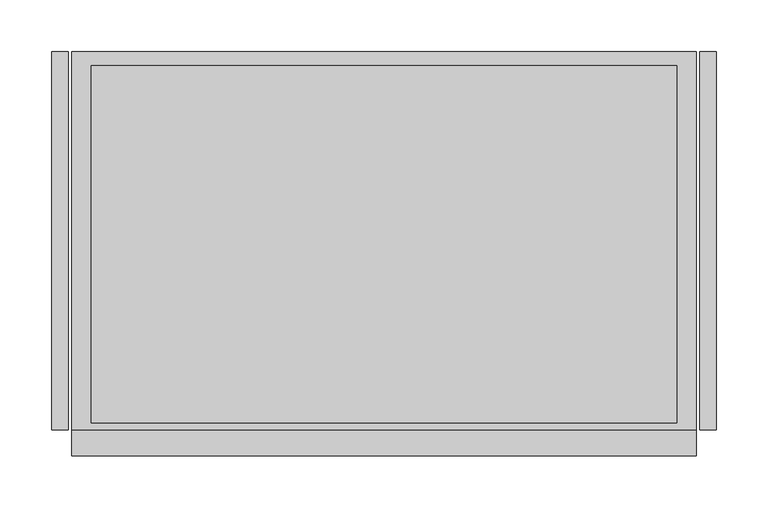
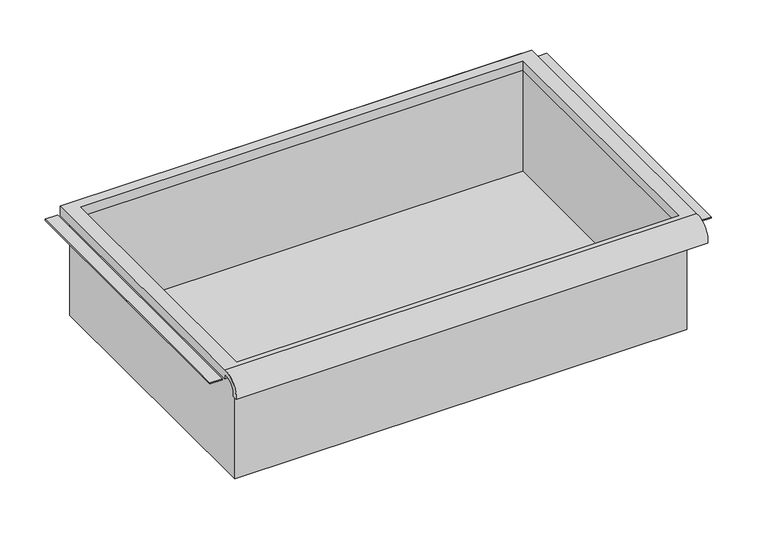
"""IFC4 building model written with IfcOpenShell, lengths in millimetres: furniture geometry."""

import ifcopenshell
import ifcopenshell.guid

model = None  # the IFC model being written
_history = None  # IfcOwnerHistory: only IFC2X3 demands one
_inside = {}  # id of a spatial element -> (the spatial element, [elements in it])
_under = {}  # id of a project, library or spatial element -> (it, [spatial elements below it])
_declared = {}  # id of a project -> (the project, [libraries it declares])
_typed = {}  # id of a type object -> (the type object, [elements of that type])
_made_of = {}  # id of a material, layer set ... -> (it, [elements and type objects made of it])


def new_model(schema):
    """Start an empty IFC model of exactly this schema.

    Asked for "IFC4X3", IfcOpenShell would pick the latest addendum, in which some entities
    have other attributes; the version numbers below select the first issue.
    IFC2X3 requires an IfcOwnerHistory on every rooted entity: one is made here for all.
    """
    global model, _history
    if schema == "IFC4X3":
        model = ifcopenshell.file(schema_version=(4, 3, 0, 0))
    else:
        model = ifcopenshell.file(schema=schema)
    _inside.clear()
    _under.clear()
    _declared.clear()
    _typed.clear()
    _made_of.clear()
    _history = None
    if model.schema == "IFC2X3":
        org = make("IfcOrganization", Name="unknown")
        user = make(
            "IfcPersonAndOrganization",
            ThePerson=make("IfcPerson", FamilyName="unknown"),
            TheOrganization=org,
        )
        app = make(
            "IfcApplication",
            ApplicationDeveloper=org,
            Version="unknown",
            ApplicationFullName="unknown",
            ApplicationIdentifier="unknown",
        )
        _history = make(
            "IfcOwnerHistory",
            OwningUser=user,
            OwningApplication=app,
            ChangeAction="ADDED",
            CreationDate=0,
        )
    return model


def make(cls, **values):
    """One entity of the class cls with the attributes given. An attribute that is None is left unset."""
    return model.create_entity(
        cls, **{name: value for name, value in values.items() if value is not None}
    )


def rooted(cls, **values):
    """An entity with a GlobalId (a new one), such as an element, a storey or a relation."""
    return make(cls, GlobalId=ifcopenshell.guid.new(), OwnerHistory=_history, **values)


def si_unit(unit_type, name, prefix=None):
    """IfcSIUnit, for example si_unit("LENGTHUNIT", "METRE", prefix="MILLI")."""
    return make("IfcSIUnit", UnitType=unit_type, Prefix=prefix, Name=name)


def assignment(units):
    """IfcUnitAssignment: the units of a project."""
    return None if units is None else make("IfcUnitAssignment", Units=units)


def point(xyz):
    """IfcCartesianPoint."""
    return None if xyz is None else make("IfcCartesianPoint", Coordinates=xyz)


def direction(xyz):
    """IfcDirection."""
    return None if xyz is None else make("IfcDirection", DirectionRatios=xyz)


def frame(location, z_axis=None, x_axis=None):
    """IfcAxis2Placement3D, a coordinate frame: its origin and axes. An axis left out is left unset."""
    return make(
        "IfcAxis2Placement3D",
        Location=point(location),
        Axis=direction(z_axis),
        RefDirection=direction(x_axis),
    )


def origin():
    """The frame at (0, 0, 0) with its axes left unset."""
    return frame((0.0, 0.0, 0.0))


def place(relative_to, where):
    """IfcLocalPlacement: puts the frame where relative to a parent placement (None: the world)."""
    return make(
        "IfcLocalPlacement", PlacementRelTo=relative_to, RelativePlacement=where
    )


def context(
    kind, dimensions, precision=None, world=None, true_north=None, identifier=None
):
    """IfcGeometricRepresentationContext, for example the 3D "Model" context."""
    return make(
        "IfcGeometricRepresentationContext",
        ContextIdentifier=identifier,
        ContextType=kind,
        CoordinateSpaceDimension=dimensions,
        Precision=precision,
        WorldCoordinateSystem=world,
        TrueNorth=true_north,
    )


def project(units=None, contexts=None):
    """IfcProject with its units and contexts."""
    return rooted(
        "IfcProject",
        Name="project",
        RepresentationContexts=contexts,
        UnitsInContext=assignment(units),
    )


def spatial(cls, under=None, at=None, **own):
    """A site, building, storey or space (cls), placed at a placement, below another one or the project."""
    s = rooted(cls, ObjectPlacement=at, **own)
    if under is not None:
        _under.setdefault(under.id(), (under, []))[1].append(s)
    return s


def polyline(points):
    """IfcPolyline through the points."""
    return make("IfcPolyline", Points=[point(p) for p in points])


def circle_curve(where, radius):
    """IfcCircle in the frame where."""
    return make("IfcCircle", Position=where, Radius=radius)


def faces_of(points, faces, orient=None, outer=None):
    """IfcFace entities. A face is a list of loops; a loop is a list of indices into points, from 0.

    orient and outer hold one flag for each loop. By default every Orientation is true, the
    first loop of a face is its IfcFaceOuterBound and the others are IfcFaceBound.
    """
    made = []
    for i, loops in enumerate(faces):
        bounds = []
        for j, loop in enumerate(loops):
            is_outer = j == 0 if outer is None else outer[i][j]
            bounds.append(
                make(
                    "IfcFaceOuterBound" if is_outer else "IfcFaceBound",
                    Bound=make("IfcPolyLoop", Polygon=[points[k] for k in loop]),
                    Orientation=True if orient is None else orient[i][j],
                )
            )
        made.append(make("IfcFace", Bounds=bounds))
    return made


def faceted_brep(points, faces, orient=None, outer=None, voids=None):
    """IfcFacetedBrep: a solid bounded by flat faces; with voids (closed shells), ...WithVoids."""
    shared = [point(p) for p in points]
    hull = make("IfcClosedShell", CfsFaces=faces_of(shared, faces, orient, outer))
    if voids is None:
        return make("IfcFacetedBrep", Outer=hull)
    return make(
        "IfcFacetedBrepWithVoids",
        Outer=hull,
        Voids=[
            make(cls, CfsFaces=faces_of(shared, fs, o, b)) for cls, fs, o, b in voids
        ],
    )


def shape(context_of_items, identifier, shape_type, items):
    """IfcShapeRepresentation: the items that make up one representation, for example the "Body"."""
    return make(
        "IfcShapeRepresentation",
        ContextOfItems=context_of_items,
        RepresentationIdentifier=identifier,
        RepresentationType=shape_type,
        Items=items,
    )


def source(mapping_origin, context_of_items, identifier, shape_type, items):
    """IfcRepresentationMap: a shape defined once, which mapped items show again and again."""
    return make(
        "IfcRepresentationMap",
        MappingOrigin=mapping_origin,
        MappedRepresentation=shape(context_of_items, identifier, shape_type, items),
    )


def transform(
    local_origin,
    x_axis=None,
    y_axis=None,
    z_axis=None,
    scale=None,
    scale2=None,
    scale3=None,
    uniform=True,
):
    """IfcCartesianTransformationOperator3D, or its non-uniform kind. x_axis, y_axis, z_axis: its Axis1, 2, 3."""
    if uniform:
        return make(
            "IfcCartesianTransformationOperator3D",
            Axis1=direction(x_axis),
            Axis2=direction(y_axis),
            LocalOrigin=point(local_origin),
            Scale=scale,
            Axis3=direction(z_axis),
        )
    return make(
        "IfcCartesianTransformationOperator3DnonUniform",
        Axis1=direction(x_axis),
        Axis2=direction(y_axis),
        LocalOrigin=point(local_origin),
        Scale=scale,
        Axis3=direction(z_axis),
        Scale2=scale2,
        Scale3=scale3,
    )


def mapped(mapping_source, mapping_target):
    """IfcMappedItem: shows the shape of a source again, moved by a transform."""
    return make(
        "IfcMappedItem", MappingSource=mapping_source, MappingTarget=mapping_target
    )


def made_of(thing, what):
    """Note that an element or type object is made of a material, layer set ...; save() writes the relation."""
    if what is not None:
        _made_of.setdefault(what.id(), (what, []))[1].append(thing)
    return thing


def element(
    cls,
    number,
    at=None,
    inside=None,
    cuts=None,
    type_object=None,
    material=None,
    context=None,
    identifier="Body",
    shape_type=None,
    held_by="IfcProductDefinitionShape",
    body=None,
    shapes=None,
    **own,
):
    """One element of the class cls, such as IfcWall. Its Tag is "e" and its number.

    at: its placement. inside: the storey or other place that contains it. cuts: it is an
    opening in that element (IfcRelVoidsElement). A single representation is given by context,
    identifier, shape_type and body (its items); several are given by shapes. held_by: the class
    of the entity that holds the representations. save() writes the other relations.
    """
    e = rooted(cls, Tag="e%d" % number, ObjectPlacement=at, **own)
    if body is not None:
        shapes = [shape(context, identifier, shape_type, body)]
    if shapes is not None:
        e.Representation = make(held_by, Representations=shapes)
    if inside is not None:
        _inside.setdefault(inside.id(), (inside, []))[1].append(e)
    if cuts is not None:
        rooted(
            "IfcRelVoidsElement", RelatingBuildingElement=cuts, RelatedOpeningElement=e
        )
    if type_object is not None:
        _typed.setdefault(type_object.id(), (type_object, []))[1].append(e)
    return made_of(e, material)


def aggregate(whole, parts):
    """IfcRelAggregates: a whole, such as a stair, and the parts it consists of."""
    return rooted("IfcRelAggregates", RelatingObject=whole, RelatedObjects=parts)


def save(model, path):
    """Write the relations noted so far, then the file.

    IfcRelAggregates (storeys below a building ...), IfcRelContainedInSpatialStructure (elements
    in a storey), IfcRelDefinesByType, IfcRelAssociatesMaterial and IfcRelDeclares: one each for
    every whole, place, type object, material and project.
    """
    for whole, parts in _under.values():
        aggregate(whole, parts)
    for where, things in _inside.values():
        rooted(
            "IfcRelContainedInSpatialStructure",
            RelatedElements=things,
            RelatingStructure=where,
        )
    for kind, things in _typed.values():
        rooted("IfcRelDefinesByType", RelatedObjects=things, RelatingType=kind)
    for what, things in _made_of.values():
        rooted("IfcRelAssociatesMaterial", RelatedObjects=things, RelatingMaterial=what)
    for by, libraries in _declared.values():
        rooted("IfcRelDeclares", RelatingContext=by, RelatedDefinitions=libraries)
    model.write(path)


def plane_surface(at):
    """IfcPlane: the flat surface through the origin of the frame at, square to its z axis."""
    return make("IfcPlane", Position=at)


def cylinder_surface(at, radius):
    """IfcCylindricalSurface: all points at the distance radius from the z axis of the frame at."""
    return make("IfcCylindricalSurface", Position=at, Radius=radius)


def revolved_surface(curve, axis_point, axis_direction):
    """IfcSurfaceOfRevolution: the curve turned about the line through axis_point along axis_direction."""
    return make(
        "IfcSurfaceOfRevolution",
        SweptCurve=make("IfcArbitraryOpenProfileDef", ProfileType="CURVE", Curve=curve),
        AxisPosition=make("IfcAxis1Placement", Location=point(axis_point), Axis=direction(axis_direction)),
    )


def advanced_brep(points, edges, surfaces, faces):
    """IfcAdvancedBrep: a solid bounded by faces that lie on surfaces and meet in shared edges.

    An edge is (start, end): straight between two places in points (the first is 0);
    or (start, end, curve); or (start, end, curve, False) where it runs against its curve.
    A face is (place in surfaces, loops), or (place, loops, False) where it looks against
    its surface's normal. A loop lists edges by number (the first is 1), with a minus sign
    where the edge is run from its end to its start. The first loop is the outer one.
    """
    corners = [point(p) for p in points]
    vertices = [make("IfcVertexPoint", VertexGeometry=c) for c in corners]
    made = []
    for start, end, *more in edges:
        made.append(
            make(
                "IfcEdgeCurve",
                EdgeStart=vertices[start],
                EdgeEnd=vertices[end],
                EdgeGeometry=more[0] if more else make("IfcPolyline", Points=[corners[start], corners[end]]),
                SameSense=more[1] if len(more) > 1 else True,
            )
        )
    hull = []
    for where, loops, *sense in faces:
        bounds = []
        for j, loop in enumerate(loops):
            ring = [make("IfcOrientedEdge", EdgeElement=made[abs(k) - 1], Orientation=k > 0) for k in loop]
            bounds.append(
                make(
                    "IfcFaceOuterBound" if j == 0 else "IfcFaceBound",
                    Bound=make("IfcEdgeLoop", EdgeList=ring),
                    Orientation=True,
                )
            )
        hull.append(make("IfcAdvancedFace", Bounds=bounds, FaceSurface=surfaces[where], SameSense=sense[0] if sense else True))
    return make("IfcAdvancedBrep", Outer=make("IfcClosedShell", CfsFaces=hull))


def furniture_d4b08b27(model_context):
    return source(origin(), model_context, "Body", "SolidModel", [
        advanced_brep(
        [(305.0224999, -195.297482, 354.8035683), (305.0224999, -188.9125, 354.8035683), (305.0224999, -169.8625, 373.0650415), (305.0224999, -169.8625, 366.71504), (305.0224999, 195.2625, 366.71504), (305.0224999, 195.2625, 379.4150415), (305.0224999, -169.8625, 379.4150415), (-298.2275001, -195.297482, 354.8035683), (-298.2275001, -169.8625, 379.4150415), (-298.2275001, 195.2625, 379.4150415), (-298.2275001, 195.2625, 366.71504), (-298.2275001, -169.8625, 366.71504), (-298.2275001, -169.8625, 373.0650415), (-298.2275001, -188.9125, 354.8035683), (285.9725003, 181.9275, 366.71504), (-279.1775005, 181.9275, 366.71504), (-279.1775005, -163.5125, 366.71504), (285.9725003, -163.5125, 366.71504), (-279.1775005, 181.9275, 379.4150415), (285.9725003, 181.9275, 379.4150415), (285.9725003, -163.5125, 379.4150415), (-279.1775005, -163.5125, 379.4150415)],
        [
            (0, 1),
            (1, 2, circle_curve(frame((305.0224999, -172.3404634, 356.5829787), z_axis=(-1.0, 0.0, 0.0), x_axis=(0.0, 1.0, 0.0)), 16.6672942)),
            (2, 3),
            (3, 4),
            (4, 5),
            (5, 6),
            (6, 0, circle_curve(frame((305.0224999, -172.4601678, 356.6508687), z_axis=(1.0, 0.0, 0.0), x_axis=(0.0, 1.0, 0.0)), 22.9119061)),
            (7, 8, circle_curve(frame((-298.2275001, -172.4601678, 356.6508687), z_axis=(-1.0, 0.0, 0.0), x_axis=(0.0, 1.0, 0.0)), 22.9119061)),
            (8, 9),
            (9, 10),
            (10, 11),
            (11, 12),
            (12, 13, circle_curve(frame((-298.2275001, -172.3404634, 356.5829787), z_axis=(1.0, 0.0, 0.0), x_axis=(0.0, 1.0, 0.0)), 16.6672942)),
            (13, 7),
            (0, 7),
            (13, 1),
            (12, 2),
            (11, 3),
            (10, 4),
            (14, 15),
            (15, 16),
            (16, 17),
            (17, 14),
            (9, 5),
            (8, 6),
            (18, 19),
            (19, 20),
            (20, 21),
            (21, 18),
            (14, 19),
            (18, 15),
            (21, 16),
            (20, 17),
        ],
        [
            plane_surface(frame((305.0224999, -195.297482, 354.8035683), z_axis=(1.0, 0.0, 0.0), x_axis=(0.0, 1.0, 0.0))),
            plane_surface(frame((-298.2275001, -195.297482, 354.8035683), z_axis=(-1.0, 0.0, 0.0), x_axis=(0.0, -1.0, 0.0))),
            plane_surface(frame((305.0224999, -195.297482, 354.8035683), z_axis=(0.0, 0.0, -1.0), x_axis=(-1.0, 0.0, 0.0))),
            revolved_surface(polyline([(-298.2275001, -155.67316920000002, 356.5829787), (305.0224999, -155.67316920000002, 356.5829787)]), (-298.2275001, -172.3404634, 356.5829787), (-1.0, 0.0, 0.0)),
            plane_surface(frame((305.0224999, -169.8625, 373.0650415), z_axis=(0.0, -1.0, 0.0), x_axis=(-1.0, 0.0, 0.0))),
            plane_surface(frame((305.0224999, -169.8625, 366.71504), z_axis=(0.0, 0.0, -1.0), x_axis=(-1.0, 0.0, 0.0))),
            plane_surface(frame((305.0224999, 195.2625, 366.71504), z_axis=(0.0, 1.0, 0.0), x_axis=(-1.0, 0.0, 0.0))),
            plane_surface(frame((305.0224999, 195.2625, 379.4150415), z_axis=(0.0, 0.0, 1.0), x_axis=(-1.0, 0.0, 0.0))),
            cylinder_surface(frame((-298.2275001, -172.4601678, 356.6508687), z_axis=(1.0, 0.0, 0.0), x_axis=(0.0, 1.0, 0.0)), 22.9119061),
            plane_surface(frame((285.9725003, 181.9275, 379.4150415), z_axis=(0.0, -1.0, 0.0), x_axis=(0.0, 0.0, -1.0))),
            plane_surface(frame((-279.1775005, 181.9275, 379.4150415), z_axis=(1.0, 0.0, 0.0), x_axis=(0.0, 0.0, -1.0))),
            plane_surface(frame((-279.1775005, -163.5125, 379.4150415), z_axis=(0.0, 1.0, 0.0), x_axis=(0.0, 0.0, -1.0))),
            plane_surface(frame((285.9725003, -163.5125, 379.4150415), z_axis=(-1.0, 0.0, 0.0), x_axis=(0.0, 0.0, -1.0))),
        ],
        [
            (0, [[1, 2, 3, 4, 5, 6, 7]]),
            (1, [[8, 9, 10, 11, 12, 13, 14]]),
            (2, [[-1, 15, -14, 16]]),
            (3, [[-2, -16, -13, 17]]),
            (4, [[-3, -17, -12, 18]]),
            (5, [[-4, -18, -11, 19], [20, 21, 22, 23]]),
            (6, [[-5, -19, -10, 24]]),
            (7, [[-6, -24, -9, 25], [26, 27, 28, 29]]),
            (8, [[-7, -25, -8, -15]]),
            (9, [[30, -26, 31, -20]]),
            (10, [[-31, -29, 32, -21]]),
            (11, [[-32, -28, 33, -22]]),
            (12, [[-30, -23, -33, -27]]),
        ],
    ),
        faceted_brep([(-285.5275005, -169.8625, 227.0150415), (292.3225003, -169.8625, 227.0150415), (292.3225003, -169.8625, 379.4150415), (-285.5275005, -169.8625, 379.4150415), (-285.5275005, 195.2625, 227.0150415), (-285.5275005, 195.2625, 379.4150415), (292.3225003, 195.2625, 379.4150415), (292.3225003, 195.2625, 227.0150415), (-279.1775005, 181.9275, 379.4150415), (285.9725003, 181.9275, 379.4150415), (285.9725003, -163.5125, 379.4150415), (-279.1775005, -163.5125, 379.4150415), (285.9725003, 181.9275, 230.0412134), (-279.1775005, 181.9275, 230.0412134), (-279.1775005, -163.5125, 230.0412134), (285.9725003, -163.5125, 230.0412134)], [[[0, 1, 2, 3]], [[4, 5, 6, 7]], [[1, 0, 4, 7]], [[2, 1, 7, 6]], [[3, 2, 6, 5], [8, 9, 10, 11]], [[0, 3, 5, 4]], [[12, 13, 14, 15]], [[13, 12, 9, 8]], [[14, 13, 8, 11]], [[15, 14, 11, 10]], [[12, 15, 10, 9]]]),
        faceted_brep([(-317.2774997, 195.2625, 366.71504), (-317.2774997, 195.2625, 368.30254), (-301.4025001, 195.2625, 368.30254), (-301.4025001, 195.2625, 366.71504), (-317.2774997, -169.8625, 366.71504), (-301.4025001, -169.8625, 366.71504), (-301.4025001, -169.8625, 368.30254), (-317.2774997, -169.8625, 368.30254)], [[[0, 1, 2, 3]], [[4, 5, 6, 7]], [[1, 0, 4, 7]], [[2, 1, 7, 6]], [[3, 2, 6, 5]], [[0, 3, 5, 4]]]),
        faceted_brep([(324.0725245, 195.2625, 366.71504), (308.1974999, 195.2625, 366.71504), (308.1974999, 195.2625, 368.30254), (324.0725245, 195.2625, 368.30254), (324.0725245, -169.8625, 366.71504), (324.0725245, -169.8625, 368.30254), (308.1974999, -169.8625, 368.30254), (308.1974999, -169.8625, 366.71504)], [[[0, 1, 2, 3]], [[4, 5, 6, 7]], [[1, 0, 4, 7]], [[2, 1, 7, 6]], [[3, 2, 6, 5]], [[0, 3, 5, 4]]]),
    ])


if __name__ == "__main__":
    model = new_model("IFC4")
    model_context = context("Model", 3, world=origin())
    ifc_project = project(units=[si_unit("LENGTHUNIT", "METRE", prefix="MILLI")], contexts=[model_context])
    site = spatial("IfcSite", under=ifc_project)
    building = spatial("IfcBuilding", under=site)
    placement = place(None, origin())
    furniture_shape = furniture_d4b08b27(model_context)
    element("IfcFurniture", 1, at=placement, inside=building, context=model_context, shape_type="MappedRepresentation", body=[
        mapped(furniture_shape, transform((0.0, 0.0, 0.0), x_axis=(1.0, 0.0, 0.0), y_axis=(0.0, 1.0, 0.0), z_axis=(0.0, 0.0, 1.0))),
    ])
    save(model, "model.ifc")
